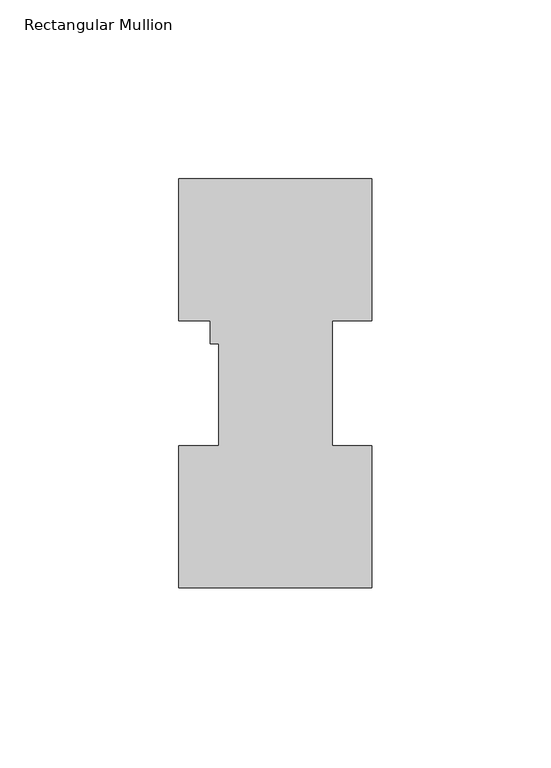
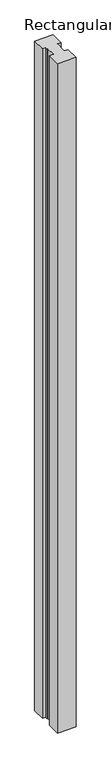
"""IFC4 building model written with IfcOpenShell, lengths in millimetres: member geometry, Rectangular Mullion."""

from ifc_helpers import new_model, si_unit, frame, origin, place, context, project, spatial, polyline, outline, extrude, source, transform, mapped, element, save


def rectangular_mullion_0ff8ec4a(model_context):
    return source(origin(), model_context, "Body", "SweptSolid", [
        extrude(outline(polyline([(26.9875, 114.271425), (26.9875, 74.596625), (15.875, 74.596625), (15.875, 39.646225), (26.9875, 39.646225), (26.9875, -0.028575), (-26.9875, -0.028575), (-26.9875, 39.646225), (-15.8750003, 39.646225), (-15.8750003, 68.2466249), (-18.2499003, 68.2466249), (-18.2499003, 74.596625), (-26.9875, 74.596625), (-26.9875, 114.271425), (26.9875, 114.271425)])), frame((0.0, 0.0, -2060.575), z_axis=(0.0, 0.0, 1.0), x_axis=(1.0, 0.0, 0.0)), (0.0, 0.0, 1.0), 2060.575),
    ])


if __name__ == "__main__":
    model = new_model("IFC4")
    model_context = context("Model", 3, world=origin())
    ifc_project = project(units=[si_unit("LENGTHUNIT", "METRE", prefix="MILLI")], contexts=[model_context])
    site = spatial("IfcSite", under=ifc_project)
    building = spatial("IfcBuilding", under=site)
    placement = place(None, origin())
    rectangular_mullion_shape = rectangular_mullion_0ff8ec4a(model_context)
    element("IfcMember", 1, ObjectType="Rectangular Mullion", at=placement, inside=building, context=model_context, shape_type="MappedRepresentation", body=[
        mapped(rectangular_mullion_shape, transform((0.0, 0.0, 0.0), x_axis=(1.0, 0.0, 0.0), y_axis=(0.0, 1.0, 0.0), z_axis=(0.0, 0.0, 1.0))),
    ])
    save(model, "model.ifc")
